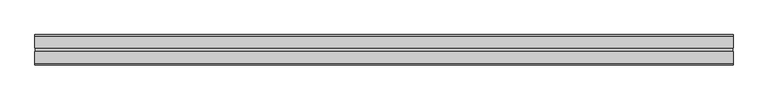
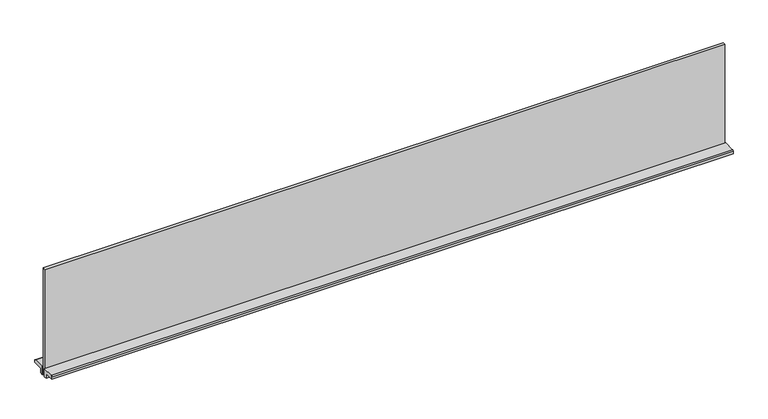
"""IFC4 building model written with IfcOpenShell, lengths in millimetres: furniture geometry."""

from ifc_helpers import new_model, si_unit, point, frame, frame_2d, origin, place, context, project, spatial, polyline, circle_curve, trimmed, segment, composite_curve, outline, extrude, source, transform, mapped, element, save


def furniture_e6d79da1(model_context):
    return source(origin(), model_context, "Body", "SweptSolid", [
        extrude(outline(polyline([(911.987001, 3.652836), (911.987001, -3.662364), (-911.987, -3.662364), (-911.987, 3.652836), (911.987001, 3.652836)])), frame((0.0, 0.0, 857.377), z_axis=(0.0, 0.0, 1.0), x_axis=(1.0, 0.0, 0.0)), (0.0, 0.0, 1.0), 302.514),
        extrude(outline(composite_curve([segment(trimmed(circle_curve(frame_2d((-36.3140627, 877.316)), 3.175), [point((-39.4890627, 877.316))], [point((-36.3140627, 880.491))], False, "CARTESIAN"), True, "CONTINUOUS"), segment(polyline([(-36.3140627, 880.491), (-4.8434625, 880.491), (-4.8434625, 857.377), (-12.9714633, 857.377), (-12.9714633, 870.966), (-39.4890627, 870.966), (-39.4890627, 877.316)]), True, "CONTINUOUS")], self_intersect=False)), frame((-913.384, 0.0, 0.0), z_axis=(1.0, 0.0, 0.0), x_axis=(0.0, 1.0, 0.0)), (0.0, 0.0, 1.0), 1826.7680009),
        extrude(outline(composite_curve([segment(polyline([(39.4795359, 877.316), (39.4795359, 870.966), (12.9619352, 870.966), (12.9619352, 857.377), (4.8339366, 857.377), (4.8339366, 880.491), (36.3045359, 880.491)]), True, "CONTINUOUS"), segment(trimmed(circle_curve(frame_2d((36.3045359, 877.316)), 3.175), [point((36.3045359, 880.491))], [point((39.4795359, 877.316))], False, "CARTESIAN"), True, "CONTINUOUS")], self_intersect=False)), frame((-913.384, 0.0, 0.0), z_axis=(1.0, 0.0, 0.0), x_axis=(0.0, 1.0, 0.0)), (0.0, 0.0, 1.0), 1826.7680009),
    ])


if __name__ == "__main__":
    model = new_model("IFC4")
    model_context = context("Model", 3, world=origin())
    ifc_project = project(units=[si_unit("LENGTHUNIT", "METRE", prefix="MILLI")], contexts=[model_context])
    site = spatial("IfcSite", under=ifc_project)
    building = spatial("IfcBuilding", under=site)
    placement = place(None, origin())
    furniture_shape = furniture_e6d79da1(model_context)
    element("IfcFurniture", 1, at=placement, inside=building, context=model_context, shape_type="MappedRepresentation", body=[
        mapped(furniture_shape, transform((0.0, 0.0, 0.0), x_axis=(1.0, 0.0, 0.0), y_axis=(0.0, 1.0, 0.0), z_axis=(0.0, 0.0, 1.0))),
    ])
    save(model, "model.ifc")
